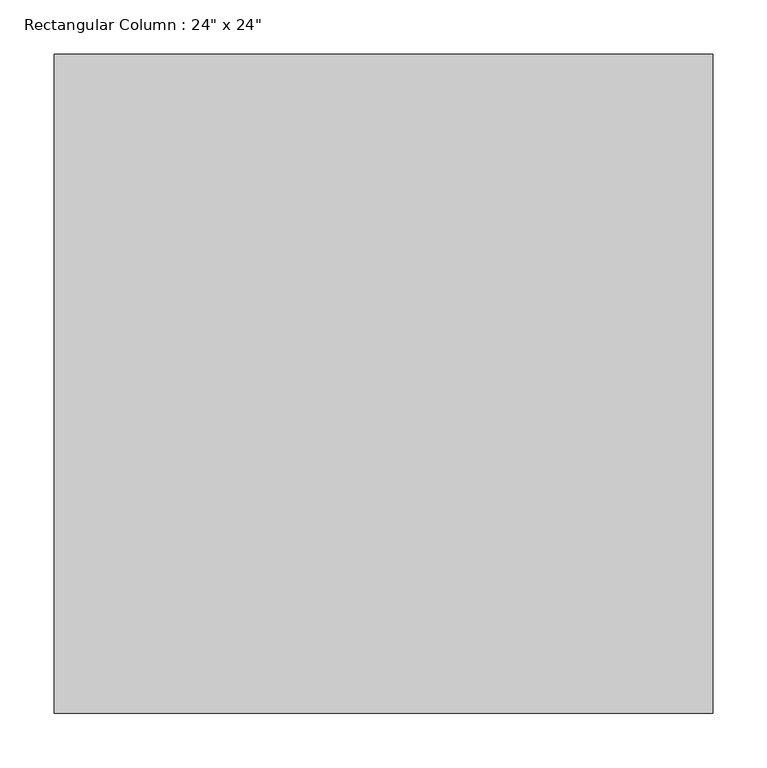
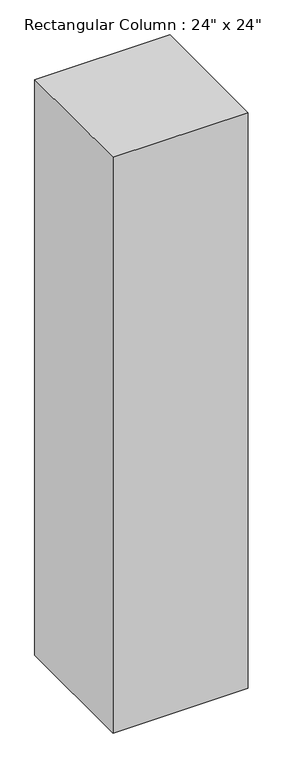
"""IFC4 building model written with IfcOpenShell, lengths in millimetres: column geometry."""

from ifc_helpers import new_model, si_unit, origin, origin_with_axes, place, context, project, spatial, polyline, outline, extrude, source, transform, mapped, element, save


def column_a4109c9c(model_context):
    return source(origin(), model_context, "Body", "SweptSolid", [
        extrude(outline(polyline([(304.8, 304.8), (304.8, -304.8), (-304.8, -304.8), (-304.8, 304.8), (304.8, 304.8)])), origin_with_axes(), (0.0, 0.0, 1.0), 2743.2),
    ])


if __name__ == "__main__":
    model = new_model("IFC4")
    model_context = context("Model", 3, world=origin())
    ifc_project = project(units=[si_unit("LENGTHUNIT", "METRE", prefix="MILLI")], contexts=[model_context])
    site = spatial("IfcSite", under=ifc_project)
    building = spatial("IfcBuilding", under=site)
    placement = place(None, origin())
    column_shape = column_a4109c9c(model_context)
    element("IfcColumn", 1, ObjectType="Rectangular Column : 24\" x 24\"", at=placement, inside=building, context=model_context, shape_type="MappedRepresentation", body=[
        mapped(column_shape, transform((0.0, 0.0, 0.0), x_axis=(1.0, 0.0, 0.0), y_axis=(0.0, 1.0, 0.0), z_axis=(0.0, 0.0, 1.0))),
    ])
    save(model, "model.ifc")
